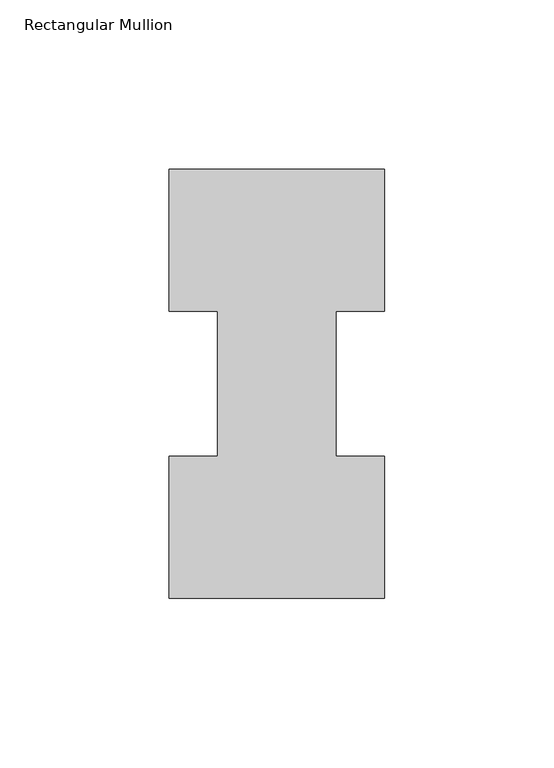
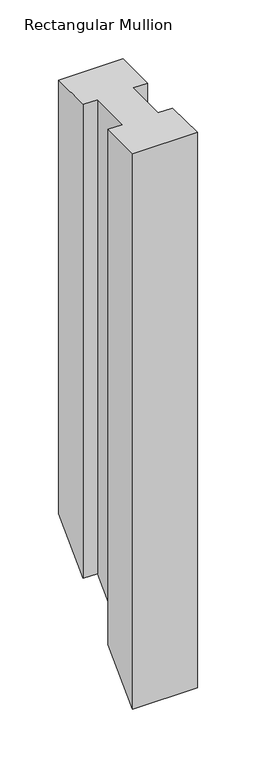
"""IFC4 building model written with IfcOpenShell, lengths in millimetres: member geometry, Rectangular Mullion."""

import ifcopenshell
import ifcopenshell.guid

model = None  # the IFC model being written
_history = None  # IfcOwnerHistory: only IFC2X3 demands one
_inside = {}  # id of a spatial element -> (the spatial element, [elements in it])
_under = {}  # id of a project, library or spatial element -> (it, [spatial elements below it])
_declared = {}  # id of a project -> (the project, [libraries it declares])
_typed = {}  # id of a type object -> (the type object, [elements of that type])
_made_of = {}  # id of a material, layer set ... -> (it, [elements and type objects made of it])


def new_model(schema):
    """Start an empty IFC model of exactly this schema.

    Asked for "IFC4X3", IfcOpenShell would pick the latest addendum, in which some entities
    have other attributes; the version numbers below select the first issue.
    IFC2X3 requires an IfcOwnerHistory on every rooted entity: one is made here for all.
    """
    global model, _history
    if schema == "IFC4X3":
        model = ifcopenshell.file(schema_version=(4, 3, 0, 0))
    else:
        model = ifcopenshell.file(schema=schema)
    _inside.clear()
    _under.clear()
    _declared.clear()
    _typed.clear()
    _made_of.clear()
    _history = None
    if model.schema == "IFC2X3":
        org = make("IfcOrganization", Name="unknown")
        user = make(
            "IfcPersonAndOrganization",
            ThePerson=make("IfcPerson", FamilyName="unknown"),
            TheOrganization=org,
        )
        app = make(
            "IfcApplication",
            ApplicationDeveloper=org,
            Version="unknown",
            ApplicationFullName="unknown",
            ApplicationIdentifier="unknown",
        )
        _history = make(
            "IfcOwnerHistory",
            OwningUser=user,
            OwningApplication=app,
            ChangeAction="ADDED",
            CreationDate=0,
        )
    return model


def make(cls, **values):
    """One entity of the class cls with the attributes given. An attribute that is None is left unset."""
    return model.create_entity(
        cls, **{name: value for name, value in values.items() if value is not None}
    )


def rooted(cls, **values):
    """An entity with a GlobalId (a new one), such as an element, a storey or a relation."""
    return make(cls, GlobalId=ifcopenshell.guid.new(), OwnerHistory=_history, **values)


def si_unit(unit_type, name, prefix=None):
    """IfcSIUnit, for example si_unit("LENGTHUNIT", "METRE", prefix="MILLI")."""
    return make("IfcSIUnit", UnitType=unit_type, Prefix=prefix, Name=name)


def assignment(units):
    """IfcUnitAssignment: the units of a project."""
    return None if units is None else make("IfcUnitAssignment", Units=units)


def point(xyz):
    """IfcCartesianPoint."""
    return None if xyz is None else make("IfcCartesianPoint", Coordinates=xyz)


def direction(xyz):
    """IfcDirection."""
    return None if xyz is None else make("IfcDirection", DirectionRatios=xyz)


def frame(location, z_axis=None, x_axis=None):
    """IfcAxis2Placement3D, a coordinate frame: its origin and axes. An axis left out is left unset."""
    return make(
        "IfcAxis2Placement3D",
        Location=point(location),
        Axis=direction(z_axis),
        RefDirection=direction(x_axis),
    )


def origin():
    """The frame at (0, 0, 0) with its axes left unset."""
    return frame((0.0, 0.0, 0.0))


def place(relative_to, where):
    """IfcLocalPlacement: puts the frame where relative to a parent placement (None: the world)."""
    return make(
        "IfcLocalPlacement", PlacementRelTo=relative_to, RelativePlacement=where
    )


def context(
    kind, dimensions, precision=None, world=None, true_north=None, identifier=None
):
    """IfcGeometricRepresentationContext, for example the 3D "Model" context."""
    return make(
        "IfcGeometricRepresentationContext",
        ContextIdentifier=identifier,
        ContextType=kind,
        CoordinateSpaceDimension=dimensions,
        Precision=precision,
        WorldCoordinateSystem=world,
        TrueNorth=true_north,
    )


def project(units=None, contexts=None):
    """IfcProject with its units and contexts."""
    return rooted(
        "IfcProject",
        Name="project",
        RepresentationContexts=contexts,
        UnitsInContext=assignment(units),
    )


def spatial(cls, under=None, at=None, **own):
    """A site, building, storey or space (cls), placed at a placement, below another one or the project."""
    s = rooted(cls, ObjectPlacement=at, **own)
    if under is not None:
        _under.setdefault(under.id(), (under, []))[1].append(s)
    return s


def faces_of(points, faces, orient=None, outer=None):
    """IfcFace entities. A face is a list of loops; a loop is a list of indices into points, from 0.

    orient and outer hold one flag for each loop. By default every Orientation is true, the
    first loop of a face is its IfcFaceOuterBound and the others are IfcFaceBound.
    """
    made = []
    for i, loops in enumerate(faces):
        bounds = []
        for j, loop in enumerate(loops):
            is_outer = j == 0 if outer is None else outer[i][j]
            bounds.append(
                make(
                    "IfcFaceOuterBound" if is_outer else "IfcFaceBound",
                    Bound=make("IfcPolyLoop", Polygon=[points[k] for k in loop]),
                    Orientation=True if orient is None else orient[i][j],
                )
            )
        made.append(make("IfcFace", Bounds=bounds))
    return made


def faceted_brep(points, faces, orient=None, outer=None, voids=None):
    """IfcFacetedBrep: a solid bounded by flat faces; with voids (closed shells), ...WithVoids."""
    shared = [point(p) for p in points]
    hull = make("IfcClosedShell", CfsFaces=faces_of(shared, faces, orient, outer))
    if voids is None:
        return make("IfcFacetedBrep", Outer=hull)
    return make(
        "IfcFacetedBrepWithVoids",
        Outer=hull,
        Voids=[
            make(cls, CfsFaces=faces_of(shared, fs, o, b)) for cls, fs, o, b in voids
        ],
    )


def shape(context_of_items, identifier, shape_type, items):
    """IfcShapeRepresentation: the items that make up one representation, for example the "Body"."""
    return make(
        "IfcShapeRepresentation",
        ContextOfItems=context_of_items,
        RepresentationIdentifier=identifier,
        RepresentationType=shape_type,
        Items=items,
    )


def source(mapping_origin, context_of_items, identifier, shape_type, items):
    """IfcRepresentationMap: a shape defined once, which mapped items show again and again."""
    return make(
        "IfcRepresentationMap",
        MappingOrigin=mapping_origin,
        MappedRepresentation=shape(context_of_items, identifier, shape_type, items),
    )


def transform(
    local_origin,
    x_axis=None,
    y_axis=None,
    z_axis=None,
    scale=None,
    scale2=None,
    scale3=None,
    uniform=True,
):
    """IfcCartesianTransformationOperator3D, or its non-uniform kind. x_axis, y_axis, z_axis: its Axis1, 2, 3."""
    if uniform:
        return make(
            "IfcCartesianTransformationOperator3D",
            Axis1=direction(x_axis),
            Axis2=direction(y_axis),
            LocalOrigin=point(local_origin),
            Scale=scale,
            Axis3=direction(z_axis),
        )
    return make(
        "IfcCartesianTransformationOperator3DnonUniform",
        Axis1=direction(x_axis),
        Axis2=direction(y_axis),
        LocalOrigin=point(local_origin),
        Scale=scale,
        Axis3=direction(z_axis),
        Scale2=scale2,
        Scale3=scale3,
    )


def mapped(mapping_source, mapping_target):
    """IfcMappedItem: shows the shape of a source again, moved by a transform."""
    return make(
        "IfcMappedItem", MappingSource=mapping_source, MappingTarget=mapping_target
    )


def made_of(thing, what):
    """Note that an element or type object is made of a material, layer set ...; save() writes the relation."""
    if what is not None:
        _made_of.setdefault(what.id(), (what, []))[1].append(thing)
    return thing


def element(
    cls,
    number,
    at=None,
    inside=None,
    cuts=None,
    type_object=None,
    material=None,
    context=None,
    identifier="Body",
    shape_type=None,
    held_by="IfcProductDefinitionShape",
    body=None,
    shapes=None,
    **own,
):
    """One element of the class cls, such as IfcWall. Its Tag is "e" and its number.

    at: its placement. inside: the storey or other place that contains it. cuts: it is an
    opening in that element (IfcRelVoidsElement). A single representation is given by context,
    identifier, shape_type and body (its items); several are given by shapes. held_by: the class
    of the entity that holds the representations. save() writes the other relations.
    """
    e = rooted(cls, Tag="e%d" % number, ObjectPlacement=at, **own)
    if body is not None:
        shapes = [shape(context, identifier, shape_type, body)]
    if shapes is not None:
        e.Representation = make(held_by, Representations=shapes)
    if inside is not None:
        _inside.setdefault(inside.id(), (inside, []))[1].append(e)
    if cuts is not None:
        rooted(
            "IfcRelVoidsElement", RelatingBuildingElement=cuts, RelatedOpeningElement=e
        )
    if type_object is not None:
        _typed.setdefault(type_object.id(), (type_object, []))[1].append(e)
    return made_of(e, material)


def aggregate(whole, parts):
    """IfcRelAggregates: a whole, such as a stair, and the parts it consists of."""
    return rooted("IfcRelAggregates", RelatingObject=whole, RelatedObjects=parts)


def save(model, path):
    """Write the relations noted so far, then the file.

    IfcRelAggregates (storeys below a building ...), IfcRelContainedInSpatialStructure (elements
    in a storey), IfcRelDefinesByType, IfcRelAssociatesMaterial and IfcRelDeclares: one each for
    every whole, place, type object, material and project.
    """
    for whole, parts in _under.values():
        aggregate(whole, parts)
    for where, things in _inside.values():
        rooted(
            "IfcRelContainedInSpatialStructure",
            RelatedElements=things,
            RelatingStructure=where,
        )
    for kind, things in _typed.values():
        rooted("IfcRelDefinesByType", RelatedObjects=things, RelatingType=kind)
    for what, things in _made_of.values():
        rooted("IfcRelAssociatesMaterial", RelatedObjects=things, RelatingMaterial=what)
    for by, libraries in _declared.values():
        rooted("IfcRelDeclares", RelatingContext=by, RelatedDefinitions=libraries)
    model.write(path)


def rectangular_mullion_07997270(model_context):
    return source(origin(), model_context, "Body", "Brep", [
        faceted_brep([(-63.5, 0.26035, 0.0), (0.0, 0.26035, 0.0), (0.0, 42.08145, 0.0), (-14.2748, 42.08145, 0.0), (-14.2748, 84.93125, 0.0), (0.0, 84.93125, 0.0), (0.0, 126.75235, 0.0), (-63.5, 126.75235, 0.0), (-63.5, 84.93125, 0.0), (-49.2125, 84.93125, 0.0), (-49.2125, 42.08145, 0.0), (-63.5, 42.08145, 0.0), (-63.5, 0.26035, -577.58965), (0.0, 0.26035, -577.58965), (0.0, 42.08145, -535.76855), (-14.2748, 42.08145, -535.76855), (-14.2748, 84.93125, -492.91875), (0.0, 84.93125, -492.91875), (0.0, 126.75235, -451.09765), (-63.5, 126.75235, -451.09765), (-63.5, 84.93125, -492.91875), (-49.2125, 84.93125, -492.91875), (-49.2125, 42.08145, -535.76855), (-63.5, 42.08145, -535.76855)], [[[0, 1, 2, 3, 4, 5, 6, 7, 8, 9, 10, 11]], [[1, 0, 12, 13]], [[2, 1, 13, 14]], [[3, 2, 14, 15]], [[4, 3, 15, 16]], [[5, 4, 16, 17]], [[6, 5, 17, 18]], [[7, 6, 18, 19]], [[8, 7, 19, 20]], [[9, 8, 20, 21]], [[10, 9, 21, 22]], [[11, 10, 22, 23]], [[0, 11, 23, 12]], [[12, 23, 22, 21, 20, 19, 18, 17, 16, 15, 14, 13]]]),
    ])


if __name__ == "__main__":
    model = new_model("IFC4")
    model_context = context("Model", 3, world=origin())
    ifc_project = project(units=[si_unit("LENGTHUNIT", "METRE", prefix="MILLI")], contexts=[model_context])
    site = spatial("IfcSite", under=ifc_project)
    building = spatial("IfcBuilding", under=site)
    placement = place(None, origin())
    rectangular_mullion_shape = rectangular_mullion_07997270(model_context)
    element("IfcMember", 1, ObjectType="Rectangular Mullion", at=placement, inside=building, context=model_context, shape_type="MappedRepresentation", body=[
        mapped(rectangular_mullion_shape, transform((0.0, 0.0, 0.0), x_axis=(1.0, 0.0, 0.0), y_axis=(0.0, 1.0, 0.0), z_axis=(0.0, 0.0, 1.0))),
    ])
    save(model, "model.ifc")
